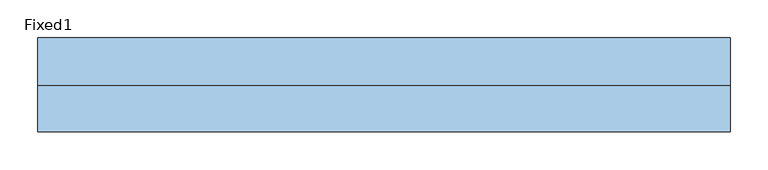
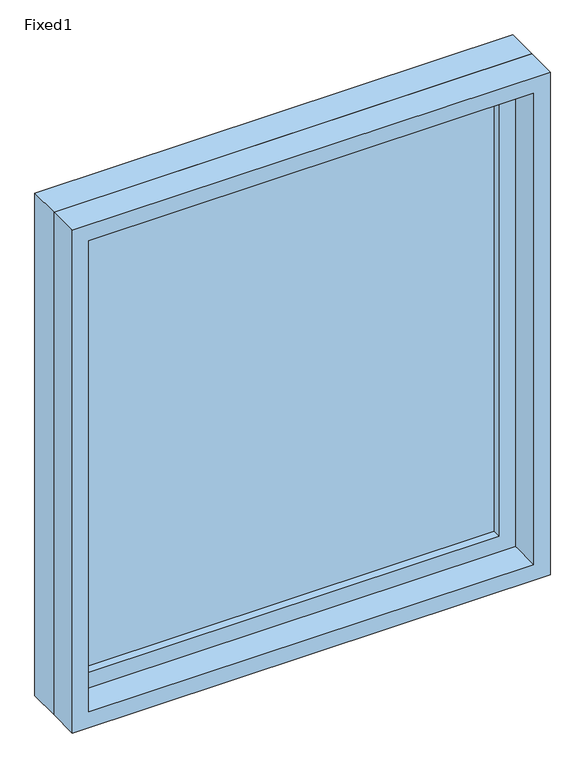
"""IFC4 building model written with IfcOpenShell, lengths in millimetres: window geometry, Fixed1."""

from ifc_helpers import new_model, si_unit, frame, origin, place, context, project, spatial, polyline, outline, extrude, source, transform, mapped, element, save


def fixed1_bf0b4a28(model_context):
    return source(origin(), model_context, "Body", "SweptSolid", [
        extrude(outline(polyline([(355.6, 14.2875), (-431.8, 14.2875), (-431.8, 26.9875), (355.6, 26.9875), (355.6, 14.2875)])), frame((0.0, 0.0, 1130.3), z_axis=(0.0, 0.0, 1.0), x_axis=(1.0, 0.0, 0.0)), (0.0, 0.0, 1.0), 889.0),
        extrude(outline(polyline([(2063.75, -476.25), (1085.85, -476.25), (1085.85, 400.05), (2063.75, 400.05), (2063.75, -476.25)]), holes=[polyline([(2019.3, -431.8), (2019.3, 355.6), (1130.3, 355.6), (1130.3, -431.8), (2019.3, -431.8)])]), frame((0.0, -1.5875, 0.0), z_axis=(0.0, 1.0, 0.0), x_axis=(0.0, 0.0, 1.0)), (0.0, 0.0, 1.0), 44.45),
        extrude(outline(polyline([(2082.8, -495.3), (1066.8, -495.3), (1066.8, 419.1), (2082.8, 419.1), (2082.8, -495.3)]), holes=[polyline([(2051.05, -463.55), (2051.05, 387.35), (1098.55, 387.35), (1098.55, -463.55), (2051.05, -463.55)])]), frame((0.0, -61.9125, 0.0), z_axis=(0.0, 1.0, 0.0), x_axis=(0.0, 0.0, 1.0)), (0.0, 0.0, 1.0), 60.325),
        extrude(outline(polyline([(2082.8, 419.1), (2082.8, -495.3), (1066.8, -495.3), (1066.8, 419.1), (2082.8, 419.1)]), holes=[polyline([(2063.75, 400.05), (1085.85, 400.05), (1085.85, -476.25), (2063.75, -476.25), (2063.75, 400.05)])]), frame((0.0, -1.5875, 0.0), z_axis=(0.0, 1.0, 0.0), x_axis=(0.0, 0.0, 1.0)), (0.0, 0.0, 1.0), 63.5),
    ])


if __name__ == "__main__":
    model = new_model("IFC4")
    model_context = context("Model", 3, world=origin())
    ifc_project = project(units=[si_unit("LENGTHUNIT", "METRE", prefix="MILLI")], contexts=[model_context])
    site = spatial("IfcSite", under=ifc_project)
    building = spatial("IfcBuilding", under=site)
    placement = place(None, origin())
    fixed1_shape = fixed1_bf0b4a28(model_context)
    element("IfcWindow", 1, ObjectType="Fixed1", at=placement, inside=building, context=model_context, shape_type="MappedRepresentation", body=[
        mapped(fixed1_shape, transform((0.0, 0.0, 0.0), x_axis=(1.0, 0.0, 0.0), y_axis=(0.0, 1.0, 0.0), z_axis=(0.0, 0.0, 1.0))),
    ])
    save(model, "model.ifc")
